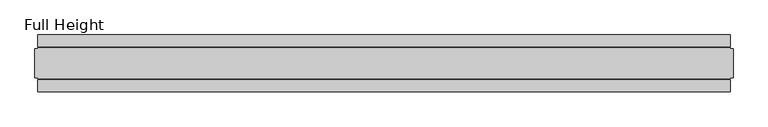
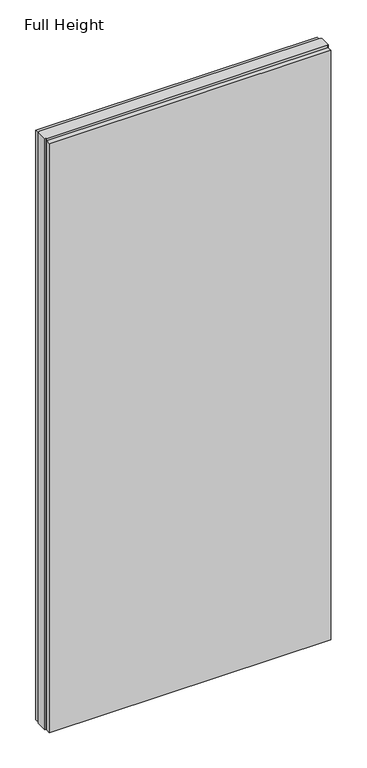
"""IFC4 building model written with IfcOpenShell, lengths in millimetres: plate geometry, Full Height."""

from ifc_helpers import new_model, si_unit, origin, origin_with_axes, place, context, project, spatial, polyline, outline, extrude, source, transform, mapped, element, save


def full_height_069d1f92(model_context):
    return source(origin(), model_context, "Body", "SweptSolid", [
        extrude(outline(polyline([(605.028, 28.956), (-605.028, 28.956), (-605.028, 49.53), (605.028, 49.53), (605.028, 28.956)])), origin_with_axes(), (0.0, 0.0, 1.0), 2679.192),
        extrude(outline(polyline([(605.028, -28.956), (605.028, -49.53), (-605.028, -49.53), (-605.028, -28.956), (605.028, -28.956)])), origin_with_axes(), (0.0, 0.0, 1.0), 2679.192),
        extrude(outline(polyline([(605.028, -25.146), (605.028, -26.67), (-605.028, -26.67), (-605.028, -25.146), (-609.6, -25.146), (-609.6, 25.146), (-605.028, 25.146), (-605.028, 26.67), (605.028, 26.67), (605.028, 25.146), (609.6, 25.146), (609.6, -25.146), (605.028, -25.146)])), origin_with_axes(), (0.0, 0.0, 1.0), 2688.336),
    ])


if __name__ == "__main__":
    model = new_model("IFC4")
    model_context = context("Model", 3, world=origin())
    ifc_project = project(units=[si_unit("LENGTHUNIT", "METRE", prefix="MILLI")], contexts=[model_context])
    site = spatial("IfcSite", under=ifc_project)
    building = spatial("IfcBuilding", under=site)
    placement = place(None, origin())
    full_height_shape = full_height_069d1f92(model_context)
    element("IfcPlate", 1, ObjectType="Full Height", at=placement, inside=building, context=model_context, shape_type="MappedRepresentation", body=[
        mapped(full_height_shape, transform((0.0, 0.0, 0.0), x_axis=(1.0, 0.0, 0.0), y_axis=(0.0, 1.0, 0.0), z_axis=(0.0, 0.0, 1.0))),
    ])
    save(model, "model.ifc")
